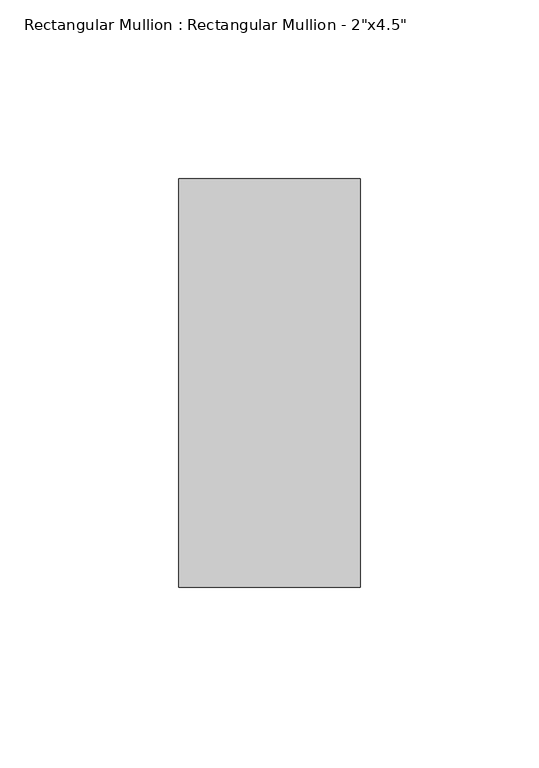
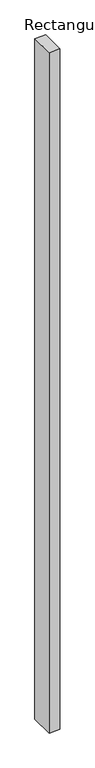
"""IFC4 building model written with IfcOpenShell, lengths in millimetres: member geometry."""

from ifc_helpers import new_model, si_unit, frame, origin, place, context, project, spatial, polyline, outline, extrude, source, transform, mapped, element, save


def member_81b8e4bd(model_context):
    return source(origin(), model_context, "Body", "SweptSolid", [
        extrude(outline(polyline([(0.0, 57.15), (0.0, -57.15), (-50.8, -57.15), (-50.8, 57.15), (0.0, 57.15)])), frame((0.0, 0.0, -3352.8), z_axis=(0.0, 0.0, 1.0), x_axis=(1.0, 0.0, 0.0)), (0.0, 0.0, 1.0), 3352.8),
    ])


if __name__ == "__main__":
    model = new_model("IFC4")
    model_context = context("Model", 3, world=origin())
    ifc_project = project(units=[si_unit("LENGTHUNIT", "METRE", prefix="MILLI")], contexts=[model_context])
    site = spatial("IfcSite", under=ifc_project)
    building = spatial("IfcBuilding", under=site)
    placement = place(None, origin())
    member_shape = member_81b8e4bd(model_context)
    element("IfcMember", 1, ObjectType="Rectangular Mullion : Rectangular Mullion - 2\"x4.5\"", at=placement, inside=building, context=model_context, shape_type="MappedRepresentation", body=[
        mapped(member_shape, transform((0.0, 0.0, 0.0), x_axis=(1.0, 0.0, 0.0), y_axis=(0.0, 1.0, 0.0), z_axis=(0.0, 0.0, 1.0))),
    ])
    save(model, "model.ifc")
